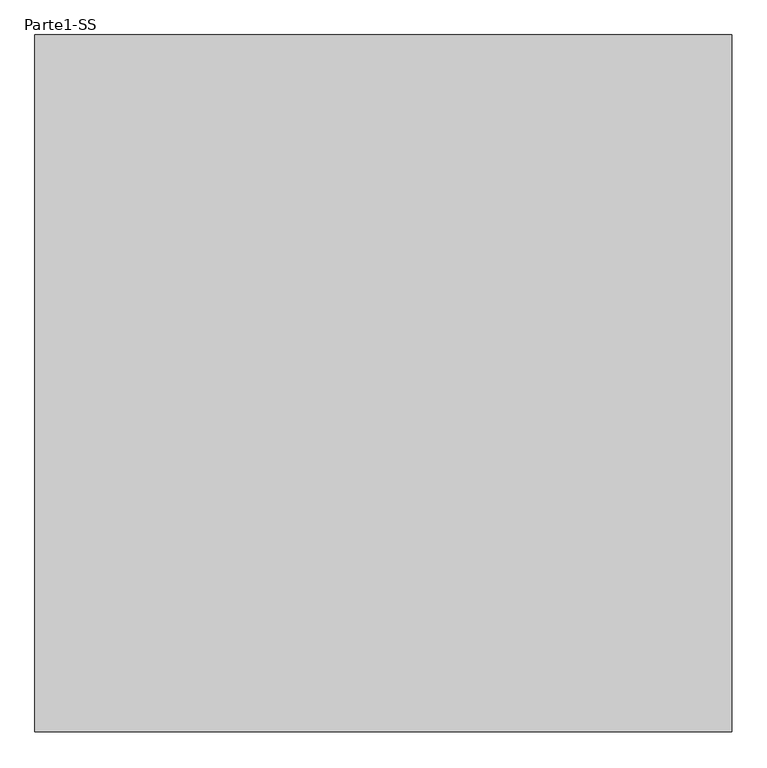
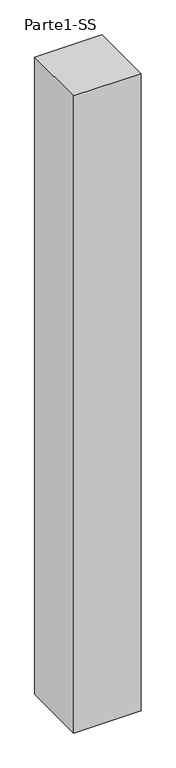
"""IFC4 building model written with IfcOpenShell, lengths in millimetres: proxy geometry, Parte1-SS."""

from ifc_helpers import new_model, si_unit, frame, origin, place, context, project, spatial, polyline, outline, extrude, source, transform, mapped, element, save


def parte1_ss_b3a96ab1(model_context):
    return source(origin(), model_context, "Body", "SweptSolid", [
        extrude(outline(polyline([(4000.0, 4000.0), (4000.0, 0.0), (0.0, 0.0), (0.0, 4000.0), (4000.0, 4000.0)])), frame((0.0, 0.0, 5000.0), z_axis=(0.0, 0.0, 1.0), x_axis=(1.0, 0.0, 0.0)), (0.0, 0.0, 1.0), 40000.0),
    ])


if __name__ == "__main__":
    model = new_model("IFC4")
    model_context = context("Model", 3, world=origin())
    ifc_project = project(units=[si_unit("LENGTHUNIT", "METRE", prefix="MILLI")], contexts=[model_context])
    site = spatial("IfcSite", under=ifc_project)
    building = spatial("IfcBuilding", under=site)
    placement = place(None, origin())
    parte1_ss_shape = parte1_ss_b3a96ab1(model_context)
    element("IfcBuildingElementProxy", 1, Name="Parte1-SS", ObjectType="Parte1-SS", at=placement, inside=building, context=model_context, shape_type="MappedRepresentation", body=[
        mapped(parte1_ss_shape, transform((0.0, 0.0, 0.0), x_axis=(1.0, 0.0, 0.0), y_axis=(0.0, 1.0, 0.0), z_axis=(0.0, 0.0, 1.0))),
    ])
    save(model, "model.ifc")
